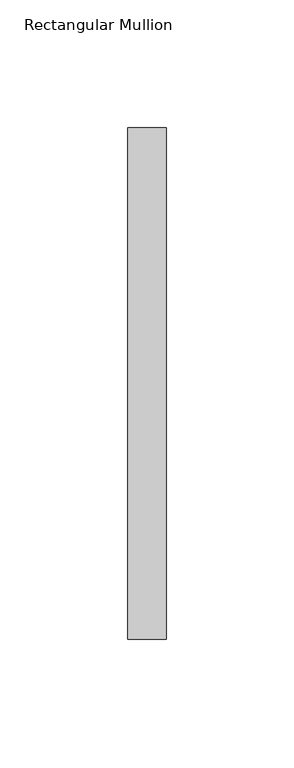
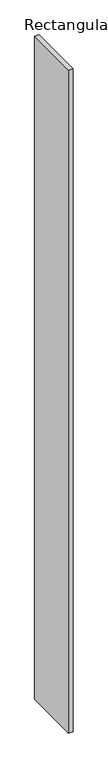
"""IFC4 building model written with IfcOpenShell, lengths in millimetres: member geometry, Rectangular Mullion."""

from ifc_helpers import new_model, si_unit, frame, origin, place, context, project, spatial, polyline, outline, extrude, source, transform, mapped, element, save


def rectangular_mullion_46fad219(model_context):
    return source(origin(), model_context, "Body", "SweptSolid", [
        extrude(outline(polyline([(-15.0, -53.0), (0.0, -53.0), (0.0, -253.0), (-15.0, -253.0), (-15.0, -53.0)])), frame((0.0, 0.0, -2388.1988748), z_axis=(0.0, 0.0, 1.0), x_axis=(1.0, 0.0, 0.0)), (0.0, 0.0, 1.0), 2388.1988748),
    ])


if __name__ == "__main__":
    model = new_model("IFC4")
    model_context = context("Model", 3, world=origin())
    ifc_project = project(units=[si_unit("LENGTHUNIT", "METRE", prefix="MILLI")], contexts=[model_context])
    site = spatial("IfcSite", under=ifc_project)
    building = spatial("IfcBuilding", under=site)
    placement = place(None, origin())
    rectangular_mullion_shape = rectangular_mullion_46fad219(model_context)
    element("IfcMember", 1, ObjectType="Rectangular Mullion", at=placement, inside=building, context=model_context, shape_type="MappedRepresentation", body=[
        mapped(rectangular_mullion_shape, transform((0.0, 0.0, 0.0), x_axis=(1.0, 0.0, 0.0), y_axis=(0.0, 1.0, 0.0), z_axis=(0.0, 0.0, 1.0))),
    ])
    save(model, "model.ifc")
